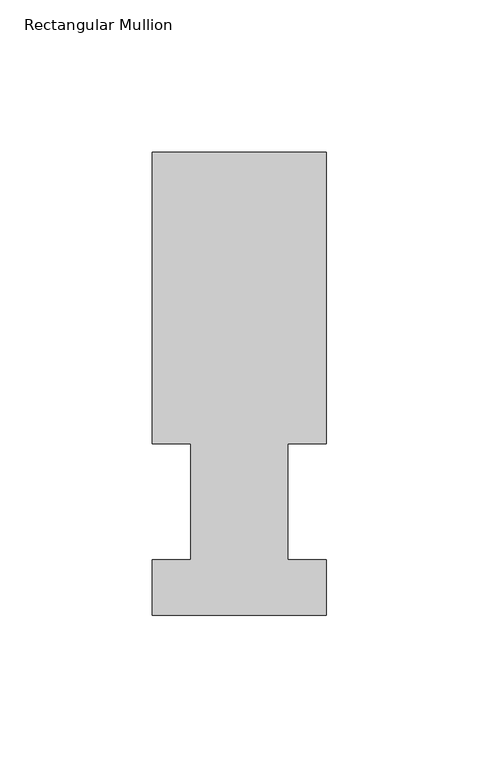
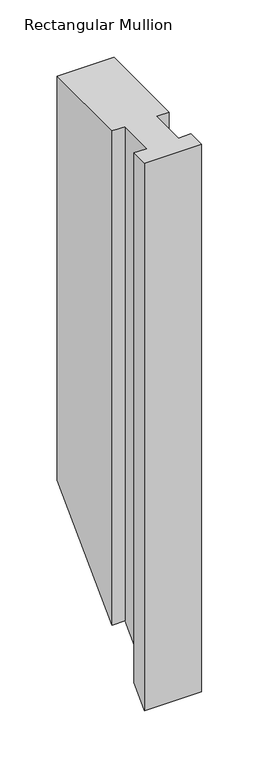
"""IFC4 building model written with IfcOpenShell, lengths in millimetres: member geometry, Rectangular Mullion."""

from ifc_helpers import new_model, si_unit, origin, place, context, project, spatial, faceted_brep, source, transform, mapped, element, save


def rectangular_mullion_d05fe674(model_context):
    return source(origin(), model_context, "Body", "Brep", [
        faceted_brep([(-57.15, 151.98725, 0.0), (-57.15, 56.35625, 0.0), (-44.45, 56.35625, 0.0), (-44.45, 18.25625, 0.0), (-57.15, 18.25625, 0.0), (-57.15, -0.03175, 0.0), (0.0, -0.03175, 0.0), (0.0, 18.25625, 0.0), (-12.7, 18.25625, 0.0), (-12.7, 56.35625, 0.0), (0.0, 56.35625, 0.0), (0.0, 151.98725, 0.0), (-57.15, 151.98725, -429.03775), (-57.15, 56.35625, -524.66875), (-44.45, 56.35625, -524.66875), (-44.45, 18.25625, -562.76875), (-57.15, 18.25625, -562.76875), (-57.15, -0.03175, -581.05675), (0.0, -0.03175, -581.05675), (0.0, 18.25625, -562.76875), (-12.7, 18.25625, -562.76875), (-12.7, 56.35625, -524.66875), (0.0, 56.35625, -524.66875), (0.0, 151.98725, -429.03775)], [[[0, 1, 2, 3, 4, 5, 6, 7, 8, 9, 10, 11]], [[1, 0, 12, 13]], [[2, 1, 13, 14]], [[3, 2, 14, 15]], [[4, 3, 15, 16]], [[5, 4, 16, 17]], [[6, 5, 17, 18]], [[7, 6, 18, 19]], [[8, 7, 19, 20]], [[9, 8, 20, 21]], [[10, 9, 21, 22]], [[11, 10, 22, 23]], [[0, 11, 23, 12]], [[12, 23, 22, 21, 20, 19, 18, 17, 16, 15, 14, 13]]]),
    ])


if __name__ == "__main__":
    model = new_model("IFC4")
    model_context = context("Model", 3, world=origin())
    ifc_project = project(units=[si_unit("LENGTHUNIT", "METRE", prefix="MILLI")], contexts=[model_context])
    site = spatial("IfcSite", under=ifc_project)
    building = spatial("IfcBuilding", under=site)
    placement = place(None, origin())
    rectangular_mullion_shape = rectangular_mullion_d05fe674(model_context)
    element("IfcMember", 1, ObjectType="Rectangular Mullion", at=placement, inside=building, context=model_context, shape_type="MappedRepresentation", body=[
        mapped(rectangular_mullion_shape, transform((0.0, 0.0, 0.0), x_axis=(1.0, 0.0, 0.0), y_axis=(0.0, 1.0, 0.0), z_axis=(0.0, 0.0, 1.0))),
    ])
    save(model, "model.ifc")
